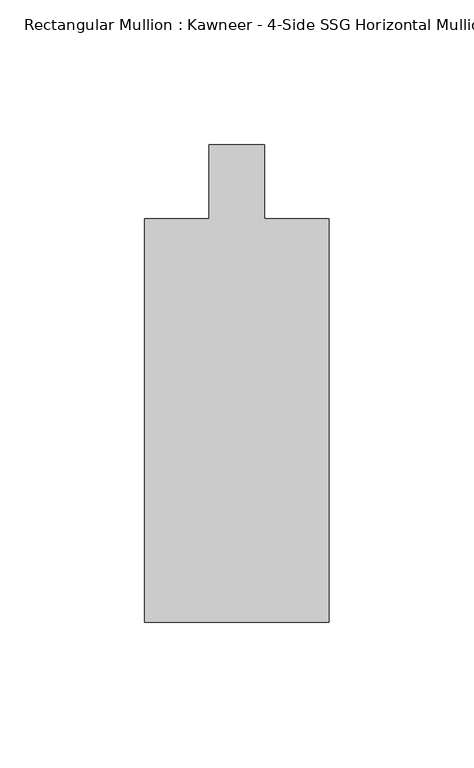
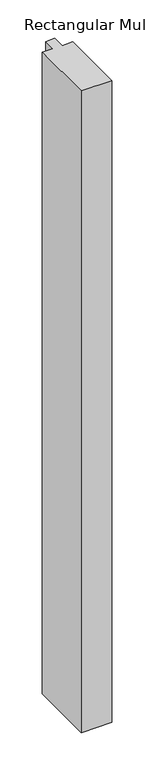
"""IFC4 building model written with IfcOpenShell, lengths in millimetres: member geometry."""

from ifc_helpers import new_model, si_unit, frame, origin, place, context, project, spatial, polyline, outline, extrude, source, transform, mapped, element, save


def member_b2f1348d(model_context):
    return source(origin(), model_context, "Body", "SweptSolid", [
        extrude(outline(polyline([(-31.75, -151.892), (-31.75, -12.7), (-9.5251132, -12.7), (-9.5251132, 12.7), (9.5251132, 12.7), (9.5251132, -12.7), (31.75, -12.7), (31.75, -151.892), (-31.75, -151.892)])), frame((0.0, 0.0, -1398.883135), z_axis=(0.0, 0.0, 1.0), x_axis=(1.0, 0.0, 0.0)), (0.0, 0.0, 1.0), 1398.883135),
    ])


if __name__ == "__main__":
    model = new_model("IFC4")
    model_context = context("Model", 3, world=origin())
    ifc_project = project(units=[si_unit("LENGTHUNIT", "METRE", prefix="MILLI")], contexts=[model_context])
    site = spatial("IfcSite", under=ifc_project)
    building = spatial("IfcBuilding", under=site)
    placement = place(None, origin())
    member_shape = member_b2f1348d(model_context)
    element("IfcMember", 1, ObjectType="Rectangular Mullion : Kawneer - 4-Side SSG Horizontal Mullion - 6 1/2\"", at=placement, inside=building, context=model_context, shape_type="MappedRepresentation", body=[
        mapped(member_shape, transform((0.0, 0.0, 0.0), x_axis=(1.0, 0.0, 0.0), y_axis=(0.0, 1.0, 0.0), z_axis=(0.0, 0.0, 1.0))),
    ])
    save(model, "model.ifc")
